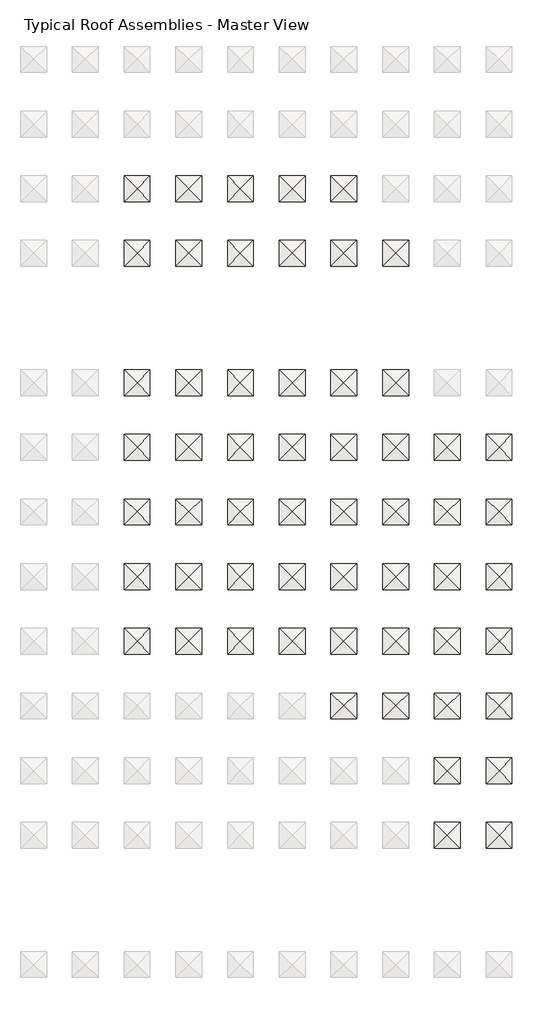
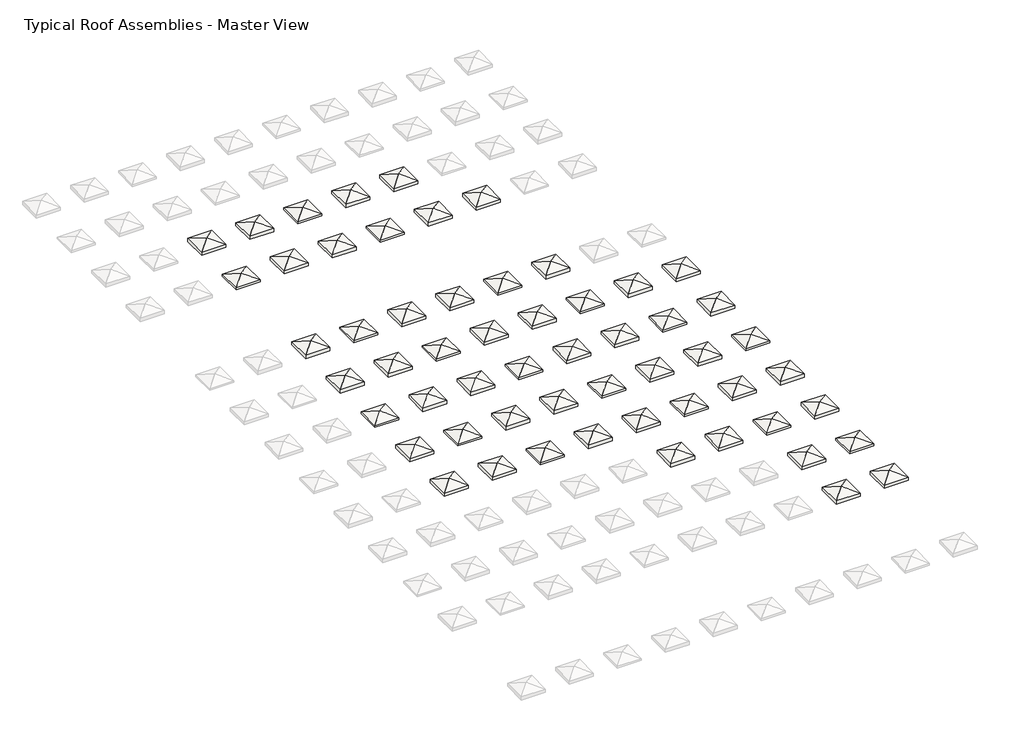
# One storey, part 5 of 6: 57 roofs.
"""IFC4 building model written with IfcOpenShell, lengths in millimetres."""

from ifc_helpers import new_model, si_unit, origin, place, context, project, spatial, faceted_brep, element, save

model = new_model("IFC4")

# Units and contexts
model_context = context("Model", 3, world=origin())
ifc_project = project(units=[si_unit("LENGTHUNIT", "METRE", prefix="MILLI")], contexts=[model_context])

# Site, building, storey
site = spatial("IfcSite", under=ifc_project)
building = spatial("IfcBuilding", under=site)
storey = spatial("IfcBuildingStorey", under=building, Name="Typical Roof Assemblies - Master View", Elevation=3048.0)

# Roofs
placement = place(None, origin())
element("IfcRoof", 1, at=placement, inside=storey, context=model_context, shape_type="Brep", body=[
    faceted_brep([(285.2728707, -38304.4766531, 3556.0), (1809.2728707, -36780.4766531, 3048.0), (1809.2728707, -39828.4766531, 3048.0), (-1238.7271293, -36780.4766531, 3048.0), (-1238.7271293, -39828.4766531, 3048.0), (1809.2728707, -36780.4766531, 3478.1235205), (285.2728707, -38304.4766531, 3986.1235205), (1809.2728707, -39828.4766531, 3478.1235205), (-1238.7271293, -36780.4766531, 3478.1235205), (-1238.7271293, -39828.4766531, 3478.1235205)], [[[0, 1, 2]], [[3, 0, 4]], [[1, 0, 3]], [[4, 0, 2]], [[5, 6, 7]], [[8, 9, 6]], [[5, 8, 6]], [[9, 7, 6]], [[3, 8, 5, 1]], [[4, 9, 8, 3]], [[2, 7, 9, 4]], [[1, 5, 7, 2]]]),
])
element("IfcRoof", 2, at=placement, inside=storey, context=model_context, shape_type="Brep", body=[
    faceted_brep([(6381.2728707, -38304.4766531, 3556.0), (7905.2728707, -36780.4766531, 3048.0), (7905.2728707, -39828.4766531, 3048.0), (4857.2728707, -36780.4766531, 3048.0), (4857.2728707, -39828.4766531, 3048.0), (7905.2728707, -36780.4766531, 3474.7767703), (6381.2728707, -38304.4766531, 3982.7767703), (7905.2728707, -39828.4766531, 3474.7767703), (4857.2728707, -36780.4766531, 3474.7767703), (4857.2728707, -39828.4766531, 3474.7767703)], [[[0, 1, 2]], [[3, 0, 4]], [[1, 0, 3]], [[4, 0, 2]], [[5, 6, 7]], [[8, 9, 6]], [[5, 8, 6]], [[9, 7, 6]], [[3, 8, 5, 1]], [[4, 9, 8, 3]], [[2, 7, 9, 4]], [[1, 5, 7, 2]]]),
])
element("IfcRoof", 3, at=placement, inside=storey, context=model_context, shape_type="Brep", body=[
    faceted_brep([(12477.2728707, -38304.4766531, 3556.0), (14001.2728707, -36780.4766531, 3048.0), (14001.2728707, -39828.4766531, 3048.0), (10953.2728707, -36780.4766531, 3048.0), (10953.2728707, -39828.4766531, 3048.0), (14001.2728707, -36780.4766531, 3304.0928432), (12477.2728707, -38304.4766531, 3812.0928432), (14001.2728707, -39828.4766531, 3304.0928432), (10953.2728707, -36780.4766531, 3304.0928432), (10953.2728707, -39828.4766531, 3304.0928432)], [[[0, 1, 2]], [[3, 0, 4]], [[1, 0, 3]], [[4, 0, 2]], [[5, 6, 7]], [[8, 9, 6]], [[5, 8, 6]], [[9, 7, 6]], [[3, 8, 5, 1]], [[4, 9, 8, 3]], [[2, 7, 9, 4]], [[1, 5, 7, 2]]]),
])
element("IfcRoof", 4, at=placement, inside=storey, context=model_context, shape_type="Brep", body=[
    faceted_brep([(18573.2728707, -38304.4766531, 3556.0), (20097.2728707, -36780.4766531, 3048.0), (20097.2728707, -39828.4766531, 3048.0), (17049.2728707, -36780.4766531, 3048.0), (17049.2728707, -39828.4766531, 3048.0), (20097.2728707, -36780.4766531, 3479.7299585), (18573.2728707, -38304.4766531, 3987.7299585), (20097.2728707, -39828.4766531, 3479.7299585), (17049.2728707, -36780.4766531, 3479.7299585), (17049.2728707, -39828.4766531, 3479.7299585)], [[[0, 1, 2]], [[3, 0, 4]], [[1, 0, 3]], [[4, 0, 2]], [[5, 6, 7]], [[8, 9, 6]], [[5, 8, 6]], [[9, 7, 6]], [[3, 8, 5, 1]], [[4, 9, 8, 3]], [[2, 7, 9, 4]], [[1, 5, 7, 2]]]),
])
element("IfcRoof", 5, at=placement, inside=storey, context=model_context, shape_type="Brep", body=[
    faceted_brep([(24669.2728707, -38304.4766531, 3556.0), (26193.2728707, -36780.4766531, 3048.0), (26193.2728707, -39828.4766531, 3048.0), (23145.2728707, -36780.4766531, 3048.0), (23145.2728707, -39828.4766531, 3048.0), (26193.2728707, -36780.4766531, 3476.3832082), (24669.2728707, -38304.4766531, 3984.3832082), (26193.2728707, -39828.4766531, 3476.3832082), (23145.2728707, -36780.4766531, 3476.3832082), (23145.2728707, -39828.4766531, 3476.3832082)], [[[0, 1, 2]], [[3, 0, 4]], [[1, 0, 3]], [[4, 0, 2]], [[5, 6, 7]], [[8, 9, 6]], [[5, 8, 6]], [[9, 7, 6]], [[3, 8, 5, 1]], [[4, 9, 8, 3]], [[2, 7, 9, 4]], [[1, 5, 7, 2]]]),
])
element("IfcRoof", 6, at=placement, inside=storey, context=model_context, shape_type="Brep", body=[
    faceted_brep([(285.2728707, -45924.4766531, 3556.0), (1809.2728707, -44400.4766531, 3048.0), (1809.2728707, -47448.4766531, 3048.0), (-1238.7271293, -44400.4766531, 3048.0), (-1238.7271293, -47448.4766531, 3048.0), (1809.2728707, -44400.4766531, 3304.0928432), (285.2728707, -45924.4766531, 3812.0928432), (1809.2728707, -47448.4766531, 3304.0928432), (-1238.7271293, -44400.4766531, 3304.0928432), (-1238.7271293, -47448.4766531, 3304.0928432)], [[[0, 1, 2]], [[3, 0, 4]], [[1, 0, 3]], [[4, 0, 2]], [[5, 6, 7]], [[8, 9, 6]], [[5, 8, 6]], [[9, 7, 6]], [[3, 8, 5, 1]], [[4, 9, 8, 3]], [[2, 7, 9, 4]], [[1, 5, 7, 2]]]),
])
element("IfcRoof", 7, at=placement, inside=storey, context=model_context, shape_type="Brep", body=[
    faceted_brep([(6381.2728707, -45924.4766531, 3556.0), (7905.2728707, -44400.4766531, 3048.0), (7905.2728707, -47448.4766531, 3048.0), (4857.2728707, -44400.4766531, 3048.0), (4857.2728707, -47448.4766531, 3048.0), (7905.2728707, -44400.4766531, 3478.1235205), (6381.2728707, -45924.4766531, 3986.1235205), (7905.2728707, -47448.4766531, 3478.1235205), (4857.2728707, -44400.4766531, 3478.1235205), (4857.2728707, -47448.4766531, 3478.1235205)], [[[0, 1, 2]], [[3, 0, 4]], [[1, 0, 3]], [[4, 0, 2]], [[5, 6, 7]], [[8, 9, 6]], [[5, 8, 6]], [[9, 7, 6]], [[3, 8, 5, 1]], [[4, 9, 8, 3]], [[2, 7, 9, 4]], [[1, 5, 7, 2]]]),
])
element("IfcRoof", 8, at=placement, inside=storey, context=model_context, shape_type="Brep", body=[
    faceted_brep([(12477.2728707, -45924.4766531, 3556.0), (14001.2728707, -44400.4766531, 3048.0), (14001.2728707, -47448.4766531, 3048.0), (10953.2728707, -44400.4766531, 3048.0), (10953.2728707, -47448.4766531, 3048.0), (14001.2728707, -44400.4766531, 3474.7767703), (12477.2728707, -45924.4766531, 3982.7767703), (14001.2728707, -47448.4766531, 3474.7767703), (10953.2728707, -44400.4766531, 3474.7767703), (10953.2728707, -47448.4766531, 3474.7767703)], [[[0, 1, 2]], [[3, 0, 4]], [[1, 0, 3]], [[4, 0, 2]], [[5, 6, 7]], [[8, 9, 6]], [[5, 8, 6]], [[9, 7, 6]], [[3, 8, 5, 1]], [[4, 9, 8, 3]], [[2, 7, 9, 4]], [[1, 5, 7, 2]]]),
])
element("IfcRoof", 9, at=placement, inside=storey, context=model_context, shape_type="Brep", body=[
    faceted_brep([(18573.2728707, -45924.4766531, 3556.0), (20097.2728707, -44400.4766531, 3048.0), (20097.2728707, -47448.4766531, 3048.0), (17049.2728707, -44400.4766531, 3048.0), (17049.2728707, -47448.4766531, 3048.0), (20097.2728707, -44400.4766531, 3304.0928432), (18573.2728707, -45924.4766531, 3812.0928432), (20097.2728707, -47448.4766531, 3304.0928432), (17049.2728707, -44400.4766531, 3304.0928432), (17049.2728707, -47448.4766531, 3304.0928432)], [[[0, 1, 2]], [[3, 0, 4]], [[1, 0, 3]], [[4, 0, 2]], [[5, 6, 7]], [[8, 9, 6]], [[5, 8, 6]], [[9, 7, 6]], [[3, 8, 5, 1]], [[4, 9, 8, 3]], [[2, 7, 9, 4]], [[1, 5, 7, 2]]]),
])
element("IfcRoof", 10, at=placement, inside=storey, context=model_context, shape_type="Brep", body=[
    faceted_brep([(24669.2728707, -45924.4766531, 3556.0), (26193.2728707, -44400.4766531, 3048.0), (26193.2728707, -47448.4766531, 3048.0), (23145.2728707, -44400.4766531, 3048.0), (23145.2728707, -47448.4766531, 3048.0), (26193.2728707, -44400.4766531, 3479.7299585), (24669.2728707, -45924.4766531, 3987.7299585), (26193.2728707, -47448.4766531, 3479.7299585), (23145.2728707, -44400.4766531, 3479.7299585), (23145.2728707, -47448.4766531, 3479.7299585)], [[[0, 1, 2]], [[3, 0, 4]], [[1, 0, 3]], [[4, 0, 2]], [[5, 6, 7]], [[8, 9, 6]], [[5, 8, 6]], [[9, 7, 6]], [[3, 8, 5, 1]], [[4, 9, 8, 3]], [[2, 7, 9, 4]], [[1, 5, 7, 2]]]),
])
element("IfcRoof", 11, at=placement, inside=storey, context=model_context, shape_type="Brep", body=[
    faceted_brep([(30765.2728707, -45924.4766531, 3556.0), (32289.2728707, -44400.4766531, 3048.0), (32289.2728707, -47448.4766531, 3048.0), (29241.2728707, -44400.4766531, 3048.0), (29241.2728707, -47448.4766531, 3048.0), (32289.2728707, -44400.4766531, 3476.3832082), (30765.2728707, -45924.4766531, 3984.3832082), (32289.2728707, -47448.4766531, 3476.3832082), (29241.2728707, -44400.4766531, 3476.3832082), (29241.2728707, -47448.4766531, 3476.3832082)], [[[0, 1, 2]], [[3, 0, 4]], [[1, 0, 3]], [[4, 0, 2]], [[5, 6, 7]], [[8, 9, 6]], [[5, 8, 6]], [[9, 7, 6]], [[3, 8, 5, 1]], [[4, 9, 8, 3]], [[2, 7, 9, 4]], [[1, 5, 7, 2]]]),
])
element("IfcRoof", 12, at=placement, inside=storey, context=model_context, shape_type="Brep", body=[
    faceted_brep([(285.2728707, -61164.4766531, 3556.0), (1809.2728707, -59640.4766531, 3048.0), (1809.2728707, -62688.4766531, 3048.0), (-1238.7271293, -59640.4766531, 3048.0), (-1238.7271293, -62688.4766531, 3048.0), (1809.2728707, -59640.4766531, 3476.3832082), (285.2728707, -61164.4766531, 3984.3832082), (1809.2728707, -62688.4766531, 3476.3832082), (-1238.7271293, -59640.4766531, 3476.3832082), (-1238.7271293, -62688.4766531, 3476.3832082)], [[[0, 1, 2]], [[3, 0, 4]], [[1, 0, 3]], [[4, 0, 2]], [[5, 6, 7]], [[8, 9, 6]], [[5, 8, 6]], [[9, 7, 6]], [[3, 8, 5, 1]], [[4, 9, 8, 3]], [[2, 7, 9, 4]], [[1, 5, 7, 2]]]),
])
element("IfcRoof", 13, at=placement, inside=storey, context=model_context, shape_type="Brep", body=[
    faceted_brep([(6381.2728707, -61164.4766531, 3556.0), (7905.2728707, -59640.4766531, 3048.0), (7905.2728707, -62688.4766531, 3048.0), (4857.2728707, -59640.4766531, 3048.0), (4857.2728707, -62688.4766531, 3048.0), (7905.2728707, -59640.4766531, 3304.0928432), (6381.2728707, -61164.4766531, 3812.0928432), (7905.2728707, -62688.4766531, 3304.0928432), (4857.2728707, -59640.4766531, 3304.0928432), (4857.2728707, -62688.4766531, 3304.0928432)], [[[0, 1, 2]], [[3, 0, 4]], [[1, 0, 3]], [[4, 0, 2]], [[5, 6, 7]], [[8, 9, 6]], [[5, 8, 6]], [[9, 7, 6]], [[3, 8, 5, 1]], [[4, 9, 8, 3]], [[2, 7, 9, 4]], [[1, 5, 7, 2]]]),
])
element("IfcRoof", 14, at=placement, inside=storey, context=model_context, shape_type="Brep", body=[
    faceted_brep([(12477.2728707, -61164.4766531, 3556.0), (14001.2728707, -59640.4766531, 3048.0), (14001.2728707, -62688.4766531, 3048.0), (10953.2728707, -59640.4766531, 3048.0), (10953.2728707, -62688.4766531, 3048.0), (14001.2728707, -59640.4766531, 3478.1235205), (12477.2728707, -61164.4766531, 3986.1235205), (14001.2728707, -62688.4766531, 3478.1235205), (10953.2728707, -59640.4766531, 3478.1235205), (10953.2728707, -62688.4766531, 3478.1235205)], [[[0, 1, 2]], [[3, 0, 4]], [[1, 0, 3]], [[4, 0, 2]], [[5, 6, 7]], [[8, 9, 6]], [[5, 8, 6]], [[9, 7, 6]], [[3, 8, 5, 1]], [[4, 9, 8, 3]], [[2, 7, 9, 4]], [[1, 5, 7, 2]]]),
])
element("IfcRoof", 15, at=placement, inside=storey, context=model_context, shape_type="Brep", body=[
    faceted_brep([(18573.2728707, -61164.4766531, 3556.0), (20097.2728707, -59640.4766531, 3048.0), (20097.2728707, -62688.4766531, 3048.0), (17049.2728707, -59640.4766531, 3048.0), (17049.2728707, -62688.4766531, 3048.0), (20097.2728707, -59640.4766531, 3474.7767703), (18573.2728707, -61164.4766531, 3982.7767703), (20097.2728707, -62688.4766531, 3474.7767703), (17049.2728707, -59640.4766531, 3474.7767703), (17049.2728707, -62688.4766531, 3474.7767703)], [[[0, 1, 2]], [[3, 0, 4]], [[1, 0, 3]], [[4, 0, 2]], [[5, 6, 7]], [[8, 9, 6]], [[5, 8, 6]], [[9, 7, 6]], [[3, 8, 5, 1]], [[4, 9, 8, 3]], [[2, 7, 9, 4]], [[1, 5, 7, 2]]]),
])
element("IfcRoof", 16, at=placement, inside=storey, context=model_context, shape_type="Brep", body=[
    faceted_brep([(24669.2728707, -61164.4766531, 3556.0), (26193.2728707, -59640.4766531, 3048.0), (26193.2728707, -62688.4766531, 3048.0), (23145.2728707, -59640.4766531, 3048.0), (23145.2728707, -62688.4766531, 3048.0), (26193.2728707, -59640.4766531, 3304.0928432), (24669.2728707, -61164.4766531, 3812.0928432), (26193.2728707, -62688.4766531, 3304.0928432), (23145.2728707, -59640.4766531, 3304.0928432), (23145.2728707, -62688.4766531, 3304.0928432)], [[[0, 1, 2]], [[3, 0, 4]], [[1, 0, 3]], [[4, 0, 2]], [[5, 6, 7]], [[8, 9, 6]], [[5, 8, 6]], [[9, 7, 6]], [[3, 8, 5, 1]], [[4, 9, 8, 3]], [[2, 7, 9, 4]], [[1, 5, 7, 2]]]),
])
element("IfcRoof", 17, at=placement, inside=storey, context=model_context, shape_type="Brep", body=[
    faceted_brep([(30765.2728707, -61164.4766531, 3556.0), (32289.2728707, -59640.4766531, 3048.0), (32289.2728707, -62688.4766531, 3048.0), (29241.2728707, -59640.4766531, 3048.0), (29241.2728707, -62688.4766531, 3048.0), (32289.2728707, -59640.4766531, 3479.7299585), (30765.2728707, -61164.4766531, 3987.7299585), (32289.2728707, -62688.4766531, 3479.7299585), (29241.2728707, -59640.4766531, 3479.7299585), (29241.2728707, -62688.4766531, 3479.7299585)], [[[0, 1, 2]], [[3, 0, 4]], [[1, 0, 3]], [[4, 0, 2]], [[5, 6, 7]], [[8, 9, 6]], [[5, 8, 6]], [[9, 7, 6]], [[3, 8, 5, 1]], [[4, 9, 8, 3]], [[2, 7, 9, 4]], [[1, 5, 7, 2]]]),
])
element("IfcRoof", 18, at=placement, inside=storey, context=model_context, shape_type="Brep", body=[
    faceted_brep([(285.2728707, -68784.4766531, 3556.0), (1809.2728707, -67260.4766531, 3048.0), (1809.2728707, -70308.4766531, 3048.0), (-1238.7271293, -67260.4766531, 3048.0), (-1238.7271293, -70308.4766531, 3048.0), (1809.2728707, -67260.4766531, 3479.7299585), (285.2728707, -68784.4766531, 3987.7299585), (1809.2728707, -70308.4766531, 3479.7299585), (-1238.7271293, -67260.4766531, 3479.7299585), (-1238.7271293, -70308.4766531, 3479.7299585)], [[[0, 1, 2]], [[3, 0, 4]], [[1, 0, 3]], [[4, 0, 2]], [[5, 6, 7]], [[8, 9, 6]], [[5, 8, 6]], [[9, 7, 6]], [[3, 8, 5, 1]], [[4, 9, 8, 3]], [[2, 7, 9, 4]], [[1, 5, 7, 2]]]),
])
element("IfcRoof", 19, at=placement, inside=storey, context=model_context, shape_type="Brep", body=[
    faceted_brep([(6381.2728707, -68784.4766531, 3556.0), (7905.2728707, -67260.4766531, 3048.0), (7905.2728707, -70308.4766531, 3048.0), (4857.2728707, -67260.4766531, 3048.0), (4857.2728707, -70308.4766531, 3048.0), (7905.2728707, -67260.4766531, 3476.3832082), (6381.2728707, -68784.4766531, 3984.3832082), (7905.2728707, -70308.4766531, 3476.3832082), (4857.2728707, -67260.4766531, 3476.3832082), (4857.2728707, -70308.4766531, 3476.3832082)], [[[0, 1, 2]], [[3, 0, 4]], [[1, 0, 3]], [[4, 0, 2]], [[5, 6, 7]], [[8, 9, 6]], [[5, 8, 6]], [[9, 7, 6]], [[3, 8, 5, 1]], [[4, 9, 8, 3]], [[2, 7, 9, 4]], [[1, 5, 7, 2]]]),
])
element("IfcRoof", 20, at=placement, inside=storey, context=model_context, shape_type="Brep", body=[
    faceted_brep([(12477.2728707, -68784.4766531, 3556.0), (14001.2728707, -67260.4766531, 3048.0), (14001.2728707, -70308.4766531, 3048.0), (10953.2728707, -67260.4766531, 3048.0), (10953.2728707, -70308.4766531, 3048.0), (14001.2728707, -67260.4766531, 3304.0928432), (12477.2728707, -68784.4766531, 3812.0928432), (14001.2728707, -70308.4766531, 3304.0928432), (10953.2728707, -67260.4766531, 3304.0928432), (10953.2728707, -70308.4766531, 3304.0928432)], [[[0, 1, 2]], [[3, 0, 4]], [[1, 0, 3]], [[4, 0, 2]], [[5, 6, 7]], [[8, 9, 6]], [[5, 8, 6]], [[9, 7, 6]], [[3, 8, 5, 1]], [[4, 9, 8, 3]], [[2, 7, 9, 4]], [[1, 5, 7, 2]]]),
])
element("IfcRoof", 21, at=placement, inside=storey, context=model_context, shape_type="Brep", body=[
    faceted_brep([(18573.2728707, -68784.4766531, 3556.0), (20097.2728707, -67260.4766531, 3048.0), (20097.2728707, -70308.4766531, 3048.0), (17049.2728707, -67260.4766531, 3048.0), (17049.2728707, -70308.4766531, 3048.0), (20097.2728707, -67260.4766531, 3478.1235205), (18573.2728707, -68784.4766531, 3986.1235205), (20097.2728707, -70308.4766531, 3478.1235205), (17049.2728707, -67260.4766531, 3478.1235205), (17049.2728707, -70308.4766531, 3478.1235205)], [[[0, 1, 2]], [[3, 0, 4]], [[1, 0, 3]], [[4, 0, 2]], [[5, 6, 7]], [[8, 9, 6]], [[5, 8, 6]], [[9, 7, 6]], [[3, 8, 5, 1]], [[4, 9, 8, 3]], [[2, 7, 9, 4]], [[1, 5, 7, 2]]]),
])
element("IfcRoof", 22, at=placement, inside=storey, context=model_context, shape_type="Brep", body=[
    faceted_brep([(24669.2728707, -68784.4766531, 3556.0), (26193.2728707, -67260.4766531, 3048.0), (26193.2728707, -70308.4766531, 3048.0), (23145.2728707, -67260.4766531, 3048.0), (23145.2728707, -70308.4766531, 3048.0), (26193.2728707, -67260.4766531, 3474.7767703), (24669.2728707, -68784.4766531, 3982.7767703), (26193.2728707, -70308.4766531, 3474.7767703), (23145.2728707, -67260.4766531, 3474.7767703), (23145.2728707, -70308.4766531, 3474.7767703)], [[[0, 1, 2]], [[3, 0, 4]], [[1, 0, 3]], [[4, 0, 2]], [[5, 6, 7]], [[8, 9, 6]], [[5, 8, 6]], [[9, 7, 6]], [[3, 8, 5, 1]], [[4, 9, 8, 3]], [[2, 7, 9, 4]], [[1, 5, 7, 2]]]),
])
element("IfcRoof", 23, at=placement, inside=storey, context=model_context, shape_type="Brep", body=[
    faceted_brep([(30765.2728707, -68784.4766531, 3556.0), (32289.2728707, -67260.4766531, 3048.0), (32289.2728707, -70308.4766531, 3048.0), (29241.2728707, -67260.4766531, 3048.0), (29241.2728707, -70308.4766531, 3048.0), (32289.2728707, -67260.4766531, 3304.0928432), (30765.2728707, -68784.4766531, 3812.0928432), (32289.2728707, -70308.4766531, 3304.0928432), (29241.2728707, -67260.4766531, 3304.0928432), (29241.2728707, -70308.4766531, 3304.0928432)], [[[0, 1, 2]], [[3, 0, 4]], [[1, 0, 3]], [[4, 0, 2]], [[5, 6, 7]], [[8, 9, 6]], [[5, 8, 6]], [[9, 7, 6]], [[3, 8, 5, 1]], [[4, 9, 8, 3]], [[2, 7, 9, 4]], [[1, 5, 7, 2]]]),
])
element("IfcRoof", 24, at=placement, inside=storey, context=model_context, shape_type="Brep", body=[
    faceted_brep([(36861.2728707, -68784.4766531, 3556.0), (38385.2728707, -67260.4766531, 3048.0), (38385.2728707, -70308.4766531, 3048.0), (35337.2728707, -67260.4766531, 3048.0), (35337.2728707, -70308.4766531, 3048.0), (38385.2728707, -67260.4766531, 3479.7299585), (36861.2728707, -68784.4766531, 3987.7299585), (38385.2728707, -70308.4766531, 3479.7299585), (35337.2728707, -67260.4766531, 3479.7299585), (35337.2728707, -70308.4766531, 3479.7299585)], [[[0, 1, 2]], [[3, 0, 4]], [[1, 0, 3]], [[4, 0, 2]], [[5, 6, 7]], [[8, 9, 6]], [[5, 8, 6]], [[9, 7, 6]], [[3, 8, 5, 1]], [[4, 9, 8, 3]], [[2, 7, 9, 4]], [[1, 5, 7, 2]]]),
])
element("IfcRoof", 25, at=placement, inside=storey, context=model_context, shape_type="Brep", body=[
    faceted_brep([(42957.2728707, -68784.4766531, 3556.0), (44481.2728707, -67260.4766531, 3048.0), (44481.2728707, -70308.4766531, 3048.0), (41433.2728707, -67260.4766531, 3048.0), (41433.2728707, -70308.4766531, 3048.0), (44481.2728707, -67260.4766531, 3476.3832082), (42957.2728707, -68784.4766531, 3984.3832082), (44481.2728707, -70308.4766531, 3476.3832082), (41433.2728707, -67260.4766531, 3476.3832082), (41433.2728707, -70308.4766531, 3476.3832082)], [[[0, 1, 2]], [[3, 0, 4]], [[1, 0, 3]], [[4, 0, 2]], [[5, 6, 7]], [[8, 9, 6]], [[5, 8, 6]], [[9, 7, 6]], [[3, 8, 5, 1]], [[4, 9, 8, 3]], [[2, 7, 9, 4]], [[1, 5, 7, 2]]]),
])
element("IfcRoof", 26, at=placement, inside=storey, context=model_context, shape_type="Brep", body=[
    faceted_brep([(285.2728707, -76404.4766531, 3556.0), (1809.2728707, -74880.4766531, 3048.0), (1809.2728707, -77928.4766531, 3048.0), (-1238.7271293, -74880.4766531, 3048.0), (-1238.7271293, -77928.4766531, 3048.0), (1809.2728707, -74880.4766531, 3304.0928432), (285.2728707, -76404.4766531, 3812.0928432), (1809.2728707, -77928.4766531, 3304.0928432), (-1238.7271293, -74880.4766531, 3304.0928432), (-1238.7271293, -77928.4766531, 3304.0928432)], [[[0, 1, 2]], [[3, 0, 4]], [[1, 0, 3]], [[4, 0, 2]], [[5, 6, 7]], [[8, 9, 6]], [[5, 8, 6]], [[9, 7, 6]], [[3, 8, 5, 1]], [[4, 9, 8, 3]], [[2, 7, 9, 4]], [[1, 5, 7, 2]]]),
])
element("IfcRoof", 27, at=placement, inside=storey, context=model_context, shape_type="Brep", body=[
    faceted_brep([(6381.2728707, -76404.4766531, 3556.0), (7905.2728707, -74880.4766531, 3048.0), (7905.2728707, -77928.4766531, 3048.0), (4857.2728707, -74880.4766531, 3048.0), (4857.2728707, -77928.4766531, 3048.0), (7905.2728707, -74880.4766531, 3479.7299585), (6381.2728707, -76404.4766531, 3987.7299585), (7905.2728707, -77928.4766531, 3479.7299585), (4857.2728707, -74880.4766531, 3479.7299585), (4857.2728707, -77928.4766531, 3479.7299585)], [[[0, 1, 2]], [[3, 0, 4]], [[1, 0, 3]], [[4, 0, 2]], [[5, 6, 7]], [[8, 9, 6]], [[5, 8, 6]], [[9, 7, 6]], [[3, 8, 5, 1]], [[4, 9, 8, 3]], [[2, 7, 9, 4]], [[1, 5, 7, 2]]]),
])
element("IfcRoof", 28, at=placement, inside=storey, context=model_context, shape_type="Brep", body=[
    faceted_brep([(12477.2728707, -76404.4766531, 3556.0), (14001.2728707, -74880.4766531, 3048.0), (14001.2728707, -77928.4766531, 3048.0), (10953.2728707, -74880.4766531, 3048.0), (10953.2728707, -77928.4766531, 3048.0), (14001.2728707, -74880.4766531, 3476.3832082), (12477.2728707, -76404.4766531, 3984.3832082), (14001.2728707, -77928.4766531, 3476.3832082), (10953.2728707, -74880.4766531, 3476.3832082), (10953.2728707, -77928.4766531, 3476.3832082)], [[[0, 1, 2]], [[3, 0, 4]], [[1, 0, 3]], [[4, 0, 2]], [[5, 6, 7]], [[8, 9, 6]], [[5, 8, 6]], [[9, 7, 6]], [[3, 8, 5, 1]], [[4, 9, 8, 3]], [[2, 7, 9, 4]], [[1, 5, 7, 2]]]),
])
element("IfcRoof", 29, at=placement, inside=storey, context=model_context, shape_type="Brep", body=[
    faceted_brep([(18573.2728707, -76404.4766531, 3556.0), (20097.2728707, -74880.4766531, 3048.0), (20097.2728707, -77928.4766531, 3048.0), (17049.2728707, -74880.4766531, 3048.0), (17049.2728707, -77928.4766531, 3048.0), (20097.2728707, -74880.4766531, 3304.0928432), (18573.2728707, -76404.4766531, 3812.0928432), (20097.2728707, -77928.4766531, 3304.0928432), (17049.2728707, -74880.4766531, 3304.0928432), (17049.2728707, -77928.4766531, 3304.0928432)], [[[0, 1, 2]], [[3, 0, 4]], [[1, 0, 3]], [[4, 0, 2]], [[5, 6, 7]], [[8, 9, 6]], [[5, 8, 6]], [[9, 7, 6]], [[3, 8, 5, 1]], [[4, 9, 8, 3]], [[2, 7, 9, 4]], [[1, 5, 7, 2]]]),
])
element("IfcRoof", 30, at=placement, inside=storey, context=model_context, shape_type="Brep", body=[
    faceted_brep([(24669.2728707, -76404.4766531, 3556.0), (26193.2728707, -74880.4766531, 3048.0), (26193.2728707, -77928.4766531, 3048.0), (23145.2728707, -74880.4766531, 3048.0), (23145.2728707, -77928.4766531, 3048.0), (26193.2728707, -74880.4766531, 3478.1235205), (24669.2728707, -76404.4766531, 3986.1235205), (26193.2728707, -77928.4766531, 3478.1235205), (23145.2728707, -74880.4766531, 3478.1235205), (23145.2728707, -77928.4766531, 3478.1235205)], [[[0, 1, 2]], [[3, 0, 4]], [[1, 0, 3]], [[4, 0, 2]], [[5, 6, 7]], [[8, 9, 6]], [[5, 8, 6]], [[9, 7, 6]], [[3, 8, 5, 1]], [[4, 9, 8, 3]], [[2, 7, 9, 4]], [[1, 5, 7, 2]]]),
])
element("IfcRoof", 31, at=placement, inside=storey, context=model_context, shape_type="Brep", body=[
    faceted_brep([(30765.2728707, -76404.4766531, 3556.0), (32289.2728707, -74880.4766531, 3048.0), (32289.2728707, -77928.4766531, 3048.0), (29241.2728707, -74880.4766531, 3048.0), (29241.2728707, -77928.4766531, 3048.0), (32289.2728707, -74880.4766531, 3474.7767703), (30765.2728707, -76404.4766531, 3982.7767703), (32289.2728707, -77928.4766531, 3474.7767703), (29241.2728707, -74880.4766531, 3474.7767703), (29241.2728707, -77928.4766531, 3474.7767703)], [[[0, 1, 2]], [[3, 0, 4]], [[1, 0, 3]], [[4, 0, 2]], [[5, 6, 7]], [[8, 9, 6]], [[5, 8, 6]], [[9, 7, 6]], [[3, 8, 5, 1]], [[4, 9, 8, 3]], [[2, 7, 9, 4]], [[1, 5, 7, 2]]]),
])
element("IfcRoof", 32, at=placement, inside=storey, context=model_context, shape_type="Brep", body=[
    faceted_brep([(36861.2728707, -76404.4766531, 3556.0), (38385.2728707, -74880.4766531, 3048.0), (38385.2728707, -77928.4766531, 3048.0), (35337.2728707, -74880.4766531, 3048.0), (35337.2728707, -77928.4766531, 3048.0), (38385.2728707, -74880.4766531, 3304.0928432), (36861.2728707, -76404.4766531, 3812.0928432), (38385.2728707, -77928.4766531, 3304.0928432), (35337.2728707, -74880.4766531, 3304.0928432), (35337.2728707, -77928.4766531, 3304.0928432)], [[[0, 1, 2]], [[3, 0, 4]], [[1, 0, 3]], [[4, 0, 2]], [[5, 6, 7]], [[8, 9, 6]], [[5, 8, 6]], [[9, 7, 6]], [[3, 8, 5, 1]], [[4, 9, 8, 3]], [[2, 7, 9, 4]], [[1, 5, 7, 2]]]),
])
element("IfcRoof", 33, at=placement, inside=storey, context=model_context, shape_type="Brep", body=[
    faceted_brep([(42957.2728707, -76404.4766531, 3556.0), (44481.2728707, -74880.4766531, 3048.0), (44481.2728707, -77928.4766531, 3048.0), (41433.2728707, -74880.4766531, 3048.0), (41433.2728707, -77928.4766531, 3048.0), (44481.2728707, -74880.4766531, 3479.7299585), (42957.2728707, -76404.4766531, 3987.7299585), (44481.2728707, -77928.4766531, 3479.7299585), (41433.2728707, -74880.4766531, 3479.7299585), (41433.2728707, -77928.4766531, 3479.7299585)], [[[0, 1, 2]], [[3, 0, 4]], [[1, 0, 3]], [[4, 0, 2]], [[5, 6, 7]], [[8, 9, 6]], [[5, 8, 6]], [[9, 7, 6]], [[3, 8, 5, 1]], [[4, 9, 8, 3]], [[2, 7, 9, 4]], [[1, 5, 7, 2]]]),
])
element("IfcRoof", 34, at=placement, inside=storey, context=model_context, shape_type="Brep", body=[
    faceted_brep([(285.2728707, -84024.4766531, 3556.0), (1809.2728707, -82500.4766531, 3048.0), (1809.2728707, -85548.4766531, 3048.0), (-1238.7271293, -82500.4766531, 3048.0), (-1238.7271293, -85548.4766531, 3048.0), (1809.2728707, -82500.4766531, 3474.7767703), (285.2728707, -84024.4766531, 3982.7767703), (1809.2728707, -85548.4766531, 3474.7767703), (-1238.7271293, -82500.4766531, 3474.7767703), (-1238.7271293, -85548.4766531, 3474.7767703)], [[[0, 1, 2]], [[3, 0, 4]], [[1, 0, 3]], [[4, 0, 2]], [[5, 6, 7]], [[8, 9, 6]], [[5, 8, 6]], [[9, 7, 6]], [[3, 8, 5, 1]], [[4, 9, 8, 3]], [[2, 7, 9, 4]], [[1, 5, 7, 2]]]),
])
element("IfcRoof", 35, at=placement, inside=storey, context=model_context, shape_type="Brep", body=[
    faceted_brep([(6381.2728707, -84024.4766531, 3556.0), (7905.2728707, -82500.4766531, 3048.0), (7905.2728707, -85548.4766531, 3048.0), (4857.2728707, -82500.4766531, 3048.0), (4857.2728707, -85548.4766531, 3048.0), (7905.2728707, -82500.4766531, 3304.0928432), (6381.2728707, -84024.4766531, 3812.0928432), (7905.2728707, -85548.4766531, 3304.0928432), (4857.2728707, -82500.4766531, 3304.0928432), (4857.2728707, -85548.4766531, 3304.0928432)], [[[0, 1, 2]], [[3, 0, 4]], [[1, 0, 3]], [[4, 0, 2]], [[5, 6, 7]], [[8, 9, 6]], [[5, 8, 6]], [[9, 7, 6]], [[3, 8, 5, 1]], [[4, 9, 8, 3]], [[2, 7, 9, 4]], [[1, 5, 7, 2]]]),
])
element("IfcRoof", 36, at=placement, inside=storey, context=model_context, shape_type="Brep", body=[
    faceted_brep([(12477.2728707, -84024.4766531, 3556.0), (14001.2728707, -82500.4766531, 3048.0), (14001.2728707, -85548.4766531, 3048.0), (10953.2728707, -82500.4766531, 3048.0), (10953.2728707, -85548.4766531, 3048.0), (14001.2728707, -82500.4766531, 3479.7299585), (12477.2728707, -84024.4766531, 3987.7299585), (14001.2728707, -85548.4766531, 3479.7299585), (10953.2728707, -82500.4766531, 3479.7299585), (10953.2728707, -85548.4766531, 3479.7299585)], [[[0, 1, 2]], [[3, 0, 4]], [[1, 0, 3]], [[4, 0, 2]], [[5, 6, 7]], [[8, 9, 6]], [[5, 8, 6]], [[9, 7, 6]], [[3, 8, 5, 1]], [[4, 9, 8, 3]], [[2, 7, 9, 4]], [[1, 5, 7, 2]]]),
])
element("IfcRoof", 37, at=placement, inside=storey, context=model_context, shape_type="Brep", body=[
    faceted_brep([(18573.2728707, -84024.4766531, 3556.0), (20097.2728707, -82500.4766531, 3048.0), (20097.2728707, -85548.4766531, 3048.0), (17049.2728707, -82500.4766531, 3048.0), (17049.2728707, -85548.4766531, 3048.0), (20097.2728707, -82500.4766531, 3476.3832082), (18573.2728707, -84024.4766531, 3984.3832082), (20097.2728707, -85548.4766531, 3476.3832082), (17049.2728707, -82500.4766531, 3476.3832082), (17049.2728707, -85548.4766531, 3476.3832082)], [[[0, 1, 2]], [[3, 0, 4]], [[1, 0, 3]], [[4, 0, 2]], [[5, 6, 7]], [[8, 9, 6]], [[5, 8, 6]], [[9, 7, 6]], [[3, 8, 5, 1]], [[4, 9, 8, 3]], [[2, 7, 9, 4]], [[1, 5, 7, 2]]]),
])
element("IfcRoof", 38, at=placement, inside=storey, context=model_context, shape_type="Brep", body=[
    faceted_brep([(24669.2728707, -84024.4766531, 3556.0), (26193.2728707, -82500.4766531, 3048.0), (26193.2728707, -85548.4766531, 3048.0), (23145.2728707, -82500.4766531, 3048.0), (23145.2728707, -85548.4766531, 3048.0), (26193.2728707, -82500.4766531, 3304.0928432), (24669.2728707, -84024.4766531, 3812.0928432), (26193.2728707, -85548.4766531, 3304.0928432), (23145.2728707, -82500.4766531, 3304.0928432), (23145.2728707, -85548.4766531, 3304.0928432)], [[[0, 1, 2]], [[3, 0, 4]], [[1, 0, 3]], [[4, 0, 2]], [[5, 6, 7]], [[8, 9, 6]], [[5, 8, 6]], [[9, 7, 6]], [[3, 8, 5, 1]], [[4, 9, 8, 3]], [[2, 7, 9, 4]], [[1, 5, 7, 2]]]),
])
element("IfcRoof", 39, at=placement, inside=storey, context=model_context, shape_type="Brep", body=[
    faceted_brep([(30765.2728707, -84024.4766531, 3556.0), (32289.2728707, -82500.4766531, 3048.0), (32289.2728707, -85548.4766531, 3048.0), (29241.2728707, -82500.4766531, 3048.0), (29241.2728707, -85548.4766531, 3048.0), (32289.2728707, -82500.4766531, 3478.1235205), (30765.2728707, -84024.4766531, 3986.1235205), (32289.2728707, -85548.4766531, 3478.1235205), (29241.2728707, -82500.4766531, 3478.1235205), (29241.2728707, -85548.4766531, 3478.1235205)], [[[0, 1, 2]], [[3, 0, 4]], [[1, 0, 3]], [[4, 0, 2]], [[5, 6, 7]], [[8, 9, 6]], [[5, 8, 6]], [[9, 7, 6]], [[3, 8, 5, 1]], [[4, 9, 8, 3]], [[2, 7, 9, 4]], [[1, 5, 7, 2]]]),
])
element("IfcRoof", 40, at=placement, inside=storey, context=model_context, shape_type="Brep", body=[
    faceted_brep([(36861.2728707, -84024.4766531, 3556.0), (38385.2728707, -82500.4766531, 3048.0), (38385.2728707, -85548.4766531, 3048.0), (35337.2728707, -82500.4766531, 3048.0), (35337.2728707, -85548.4766531, 3048.0), (38385.2728707, -82500.4766531, 3474.7767703), (36861.2728707, -84024.4766531, 3982.7767703), (38385.2728707, -85548.4766531, 3474.7767703), (35337.2728707, -82500.4766531, 3474.7767703), (35337.2728707, -85548.4766531, 3474.7767703)], [[[0, 1, 2]], [[3, 0, 4]], [[1, 0, 3]], [[4, 0, 2]], [[5, 6, 7]], [[8, 9, 6]], [[5, 8, 6]], [[9, 7, 6]], [[3, 8, 5, 1]], [[4, 9, 8, 3]], [[2, 7, 9, 4]], [[1, 5, 7, 2]]]),
])
element("IfcRoof", 41, at=placement, inside=storey, context=model_context, shape_type="Brep", body=[
    faceted_brep([(42957.2728707, -84024.4766531, 3556.0), (44481.2728707, -82500.4766531, 3048.0), (44481.2728707, -85548.4766531, 3048.0), (41433.2728707, -82500.4766531, 3048.0), (41433.2728707, -85548.4766531, 3048.0), (44481.2728707, -82500.4766531, 3304.0928432), (42957.2728707, -84024.4766531, 3812.0928432), (44481.2728707, -85548.4766531, 3304.0928432), (41433.2728707, -82500.4766531, 3304.0928432), (41433.2728707, -85548.4766531, 3304.0928432)], [[[0, 1, 2]], [[3, 0, 4]], [[1, 0, 3]], [[4, 0, 2]], [[5, 6, 7]], [[8, 9, 6]], [[5, 8, 6]], [[9, 7, 6]], [[3, 8, 5, 1]], [[4, 9, 8, 3]], [[2, 7, 9, 4]], [[1, 5, 7, 2]]]),
])
element("IfcRoof", 42, at=placement, inside=storey, context=model_context, shape_type="Brep", body=[
    faceted_brep([(285.2728707, -91644.4766531, 3556.0), (1809.2728707, -90120.4766531, 3048.0), (1809.2728707, -93168.4766531, 3048.0), (-1238.7271293, -90120.4766531, 3048.0), (-1238.7271293, -93168.4766531, 3048.0), (1809.2728707, -90120.4766531, 3478.1235205), (285.2728707, -91644.4766531, 3986.1235205), (1809.2728707, -93168.4766531, 3478.1235205), (-1238.7271293, -90120.4766531, 3478.1235205), (-1238.7271293, -93168.4766531, 3478.1235205)], [[[0, 1, 2]], [[3, 0, 4]], [[1, 0, 3]], [[4, 0, 2]], [[5, 6, 7]], [[8, 9, 6]], [[5, 8, 6]], [[9, 7, 6]], [[3, 8, 5, 1]], [[4, 9, 8, 3]], [[2, 7, 9, 4]], [[1, 5, 7, 2]]]),
])
element("IfcRoof", 43, at=placement, inside=storey, context=model_context, shape_type="Brep", body=[
    faceted_brep([(6381.2728707, -91644.4766531, 3556.0), (7905.2728707, -90120.4766531, 3048.0), (7905.2728707, -93168.4766531, 3048.0), (4857.2728707, -90120.4766531, 3048.0), (4857.2728707, -93168.4766531, 3048.0), (7905.2728707, -90120.4766531, 3474.7767703), (6381.2728707, -91644.4766531, 3982.7767703), (7905.2728707, -93168.4766531, 3474.7767703), (4857.2728707, -90120.4766531, 3474.7767703), (4857.2728707, -93168.4766531, 3474.7767703)], [[[0, 1, 2]], [[3, 0, 4]], [[1, 0, 3]], [[4, 0, 2]], [[5, 6, 7]], [[8, 9, 6]], [[5, 8, 6]], [[9, 7, 6]], [[3, 8, 5, 1]], [[4, 9, 8, 3]], [[2, 7, 9, 4]], [[1, 5, 7, 2]]]),
])
element("IfcRoof", 44, at=placement, inside=storey, context=model_context, shape_type="Brep", body=[
    faceted_brep([(12477.2728707, -91644.4766531, 3556.0), (14001.2728707, -90120.4766531, 3048.0), (14001.2728707, -93168.4766531, 3048.0), (10953.2728707, -90120.4766531, 3048.0), (10953.2728707, -93168.4766531, 3048.0), (14001.2728707, -90120.4766531, 3304.0928432), (12477.2728707, -91644.4766531, 3812.0928432), (14001.2728707, -93168.4766531, 3304.0928432), (10953.2728707, -90120.4766531, 3304.0928432), (10953.2728707, -93168.4766531, 3304.0928432)], [[[0, 1, 2]], [[3, 0, 4]], [[1, 0, 3]], [[4, 0, 2]], [[5, 6, 7]], [[8, 9, 6]], [[5, 8, 6]], [[9, 7, 6]], [[3, 8, 5, 1]], [[4, 9, 8, 3]], [[2, 7, 9, 4]], [[1, 5, 7, 2]]]),
])
element("IfcRoof", 45, at=placement, inside=storey, context=model_context, shape_type="Brep", body=[
    faceted_brep([(18573.2728707, -91644.4766531, 3556.0), (20097.2728707, -90120.4766531, 3048.0), (20097.2728707, -93168.4766531, 3048.0), (17049.2728707, -90120.4766531, 3048.0), (17049.2728707, -93168.4766531, 3048.0), (20097.2728707, -90120.4766531, 3479.7299585), (18573.2728707, -91644.4766531, 3987.7299585), (20097.2728707, -93168.4766531, 3479.7299585), (17049.2728707, -90120.4766531, 3479.7299585), (17049.2728707, -93168.4766531, 3479.7299585)], [[[0, 1, 2]], [[3, 0, 4]], [[1, 0, 3]], [[4, 0, 2]], [[5, 6, 7]], [[8, 9, 6]], [[5, 8, 6]], [[9, 7, 6]], [[3, 8, 5, 1]], [[4, 9, 8, 3]], [[2, 7, 9, 4]], [[1, 5, 7, 2]]]),
])
element("IfcRoof", 46, at=placement, inside=storey, context=model_context, shape_type="Brep", body=[
    faceted_brep([(24669.2728707, -91644.4766531, 3556.0), (26193.2728707, -90120.4766531, 3048.0), (26193.2728707, -93168.4766531, 3048.0), (23145.2728707, -90120.4766531, 3048.0), (23145.2728707, -93168.4766531, 3048.0), (26193.2728707, -90120.4766531, 3476.3832082), (24669.2728707, -91644.4766531, 3984.3832082), (26193.2728707, -93168.4766531, 3476.3832082), (23145.2728707, -90120.4766531, 3476.3832082), (23145.2728707, -93168.4766531, 3476.3832082)], [[[0, 1, 2]], [[3, 0, 4]], [[1, 0, 3]], [[4, 0, 2]], [[5, 6, 7]], [[8, 9, 6]], [[5, 8, 6]], [[9, 7, 6]], [[3, 8, 5, 1]], [[4, 9, 8, 3]], [[2, 7, 9, 4]], [[1, 5, 7, 2]]]),
])
element("IfcRoof", 47, at=placement, inside=storey, context=model_context, shape_type="Brep", body=[
    faceted_brep([(30765.2728707, -91644.4766531, 3556.0), (32289.2728707, -90120.4766531, 3048.0), (32289.2728707, -93168.4766531, 3048.0), (29241.2728707, -90120.4766531, 3048.0), (29241.2728707, -93168.4766531, 3048.0), (32289.2728707, -90120.4766531, 3304.0928432), (30765.2728707, -91644.4766531, 3812.0928432), (32289.2728707, -93168.4766531, 3304.0928432), (29241.2728707, -90120.4766531, 3304.0928432), (29241.2728707, -93168.4766531, 3304.0928432)], [[[0, 1, 2]], [[3, 0, 4]], [[1, 0, 3]], [[4, 0, 2]], [[5, 6, 7]], [[8, 9, 6]], [[5, 8, 6]], [[9, 7, 6]], [[3, 8, 5, 1]], [[4, 9, 8, 3]], [[2, 7, 9, 4]], [[1, 5, 7, 2]]]),
])
element("IfcRoof", 48, at=placement, inside=storey, context=model_context, shape_type="Brep", body=[
    faceted_brep([(36861.2728707, -91644.4766531, 3556.0), (38385.2728707, -90120.4766531, 3048.0), (38385.2728707, -93168.4766531, 3048.0), (35337.2728707, -90120.4766531, 3048.0), (35337.2728707, -93168.4766531, 3048.0), (38385.2728707, -90120.4766531, 3478.1235205), (36861.2728707, -91644.4766531, 3986.1235205), (38385.2728707, -93168.4766531, 3478.1235205), (35337.2728707, -90120.4766531, 3478.1235205), (35337.2728707, -93168.4766531, 3478.1235205)], [[[0, 1, 2]], [[3, 0, 4]], [[1, 0, 3]], [[4, 0, 2]], [[5, 6, 7]], [[8, 9, 6]], [[5, 8, 6]], [[9, 7, 6]], [[3, 8, 5, 1]], [[4, 9, 8, 3]], [[2, 7, 9, 4]], [[1, 5, 7, 2]]]),
])
element("IfcRoof", 49, at=placement, inside=storey, context=model_context, shape_type="Brep", body=[
    faceted_brep([(42957.2728707, -91644.4766531, 3556.0), (44481.2728707, -90120.4766531, 3048.0), (44481.2728707, -93168.4766531, 3048.0), (41433.2728707, -90120.4766531, 3048.0), (41433.2728707, -93168.4766531, 3048.0), (44481.2728707, -90120.4766531, 3474.7767703), (42957.2728707, -91644.4766531, 3982.7767703), (44481.2728707, -93168.4766531, 3474.7767703), (41433.2728707, -90120.4766531, 3474.7767703), (41433.2728707, -93168.4766531, 3474.7767703)], [[[0, 1, 2]], [[3, 0, 4]], [[1, 0, 3]], [[4, 0, 2]], [[5, 6, 7]], [[8, 9, 6]], [[5, 8, 6]], [[9, 7, 6]], [[3, 8, 5, 1]], [[4, 9, 8, 3]], [[2, 7, 9, 4]], [[1, 5, 7, 2]]]),
])
element("IfcRoof", 50, at=placement, inside=storey, context=model_context, shape_type="Brep", body=[
    faceted_brep([(24669.2728707, -99264.4766531, 3556.0), (26193.2728707, -97740.4766531, 3048.0), (26193.2728707, -100788.4766531, 3048.0), (23145.2728707, -97740.4766531, 3048.0), (23145.2728707, -100788.4766531, 3048.0), (26193.2728707, -97740.4766531, 3479.7299585), (24669.2728707, -99264.4766531, 3987.7299585), (26193.2728707, -100788.4766531, 3479.7299585), (23145.2728707, -97740.4766531, 3479.7299585), (23145.2728707, -100788.4766531, 3479.7299585)], [[[0, 1, 2]], [[3, 0, 4]], [[1, 0, 3]], [[4, 0, 2]], [[5, 6, 7]], [[8, 9, 6]], [[5, 8, 6]], [[9, 7, 6]], [[3, 8, 5, 1]], [[4, 9, 8, 3]], [[2, 7, 9, 4]], [[1, 5, 7, 2]]]),
])
element("IfcRoof", 51, at=placement, inside=storey, context=model_context, shape_type="Brep", body=[
    faceted_brep([(30765.2728707, -99264.4766531, 3556.0), (32289.2728707, -97740.4766531, 3048.0), (32289.2728707, -100788.4766531, 3048.0), (29241.2728707, -97740.4766531, 3048.0), (29241.2728707, -100788.4766531, 3048.0), (32289.2728707, -97740.4766531, 3476.3832082), (30765.2728707, -99264.4766531, 3984.3832082), (32289.2728707, -100788.4766531, 3476.3832082), (29241.2728707, -97740.4766531, 3476.3832082), (29241.2728707, -100788.4766531, 3476.3832082)], [[[0, 1, 2]], [[3, 0, 4]], [[1, 0, 3]], [[4, 0, 2]], [[5, 6, 7]], [[8, 9, 6]], [[5, 8, 6]], [[9, 7, 6]], [[3, 8, 5, 1]], [[4, 9, 8, 3]], [[2, 7, 9, 4]], [[1, 5, 7, 2]]]),
])
element("IfcRoof", 52, at=placement, inside=storey, context=model_context, shape_type="Brep", body=[
    faceted_brep([(36861.2728707, -99264.4766531, 3556.0), (38385.2728707, -97740.4766531, 3048.0), (38385.2728707, -100788.4766531, 3048.0), (35337.2728707, -97740.4766531, 3048.0), (35337.2728707, -100788.4766531, 3048.0), (38385.2728707, -97740.4766531, 3304.0928432), (36861.2728707, -99264.4766531, 3812.0928432), (38385.2728707, -100788.4766531, 3304.0928432), (35337.2728707, -97740.4766531, 3304.0928432), (35337.2728707, -100788.4766531, 3304.0928432)], [[[0, 1, 2]], [[3, 0, 4]], [[1, 0, 3]], [[4, 0, 2]], [[5, 6, 7]], [[8, 9, 6]], [[5, 8, 6]], [[9, 7, 6]], [[3, 8, 5, 1]], [[4, 9, 8, 3]], [[2, 7, 9, 4]], [[1, 5, 7, 2]]]),
])
element("IfcRoof", 53, at=placement, inside=storey, context=model_context, shape_type="Brep", body=[
    faceted_brep([(42957.2728707, -99264.4766531, 3556.0), (44481.2728707, -97740.4766531, 3048.0), (44481.2728707, -100788.4766531, 3048.0), (41433.2728707, -97740.4766531, 3048.0), (41433.2728707, -100788.4766531, 3048.0), (44481.2728707, -97740.4766531, 3478.1235205), (42957.2728707, -99264.4766531, 3986.1235205), (44481.2728707, -100788.4766531, 3478.1235205), (41433.2728707, -97740.4766531, 3478.1235205), (41433.2728707, -100788.4766531, 3478.1235205)], [[[0, 1, 2]], [[3, 0, 4]], [[1, 0, 3]], [[4, 0, 2]], [[5, 6, 7]], [[8, 9, 6]], [[5, 8, 6]], [[9, 7, 6]], [[3, 8, 5, 1]], [[4, 9, 8, 3]], [[2, 7, 9, 4]], [[1, 5, 7, 2]]]),
])
element("IfcRoof", 54, at=placement, inside=storey, context=model_context, shape_type="Brep", body=[
    faceted_brep([(36861.2728707, -106884.4766531, 3556.0), (38385.2728707, -105360.4766531, 3048.0), (38385.2728707, -108408.4766531, 3048.0), (35337.2728707, -105360.4766531, 3048.0), (35337.2728707, -108408.4766531, 3048.0), (38385.2728707, -105360.4766531, 3476.3832082), (36861.2728707, -106884.4766531, 3984.3832082), (38385.2728707, -108408.4766531, 3476.3832082), (35337.2728707, -105360.4766531, 3476.3832082), (35337.2728707, -108408.4766531, 3476.3832082)], [[[0, 1, 2]], [[3, 0, 4]], [[1, 0, 3]], [[4, 0, 2]], [[5, 6, 7]], [[8, 9, 6]], [[5, 8, 6]], [[9, 7, 6]], [[3, 8, 5, 1]], [[4, 9, 8, 3]], [[2, 7, 9, 4]], [[1, 5, 7, 2]]]),
])
element("IfcRoof", 55, at=placement, inside=storey, context=model_context, shape_type="Brep", body=[
    faceted_brep([(42957.2728707, -106884.4766531, 3556.0), (44481.2728707, -105360.4766531, 3048.0), (44481.2728707, -108408.4766531, 3048.0), (41433.2728707, -105360.4766531, 3048.0), (41433.2728707, -108408.4766531, 3048.0), (44481.2728707, -105360.4766531, 3304.0928432), (42957.2728707, -106884.4766531, 3812.0928432), (44481.2728707, -108408.4766531, 3304.0928432), (41433.2728707, -105360.4766531, 3304.0928432), (41433.2728707, -108408.4766531, 3304.0928432)], [[[0, 1, 2]], [[3, 0, 4]], [[1, 0, 3]], [[4, 0, 2]], [[5, 6, 7]], [[8, 9, 6]], [[5, 8, 6]], [[9, 7, 6]], [[3, 8, 5, 1]], [[4, 9, 8, 3]], [[2, 7, 9, 4]], [[1, 5, 7, 2]]]),
])
element("IfcRoof", 56, at=placement, inside=storey, context=model_context, shape_type="Brep", body=[
    faceted_brep([(36861.2728707, -114504.4766531, 3556.0), (38385.2728707, -112980.4766531, 3048.0), (38385.2728707, -116028.4766531, 3048.0), (35337.2728707, -112980.4766531, 3048.0), (35337.2728707, -116028.4766531, 3048.0), (38385.2728707, -112980.4766531, 3479.7299585), (36861.2728707, -114504.4766531, 3987.7299585), (38385.2728707, -116028.4766531, 3479.7299585), (35337.2728707, -112980.4766531, 3479.7299585), (35337.2728707, -116028.4766531, 3479.7299585)], [[[0, 1, 2]], [[3, 0, 4]], [[1, 0, 3]], [[4, 0, 2]], [[5, 6, 7]], [[8, 9, 6]], [[5, 8, 6]], [[9, 7, 6]], [[3, 8, 5, 1]], [[4, 9, 8, 3]], [[2, 7, 9, 4]], [[1, 5, 7, 2]]]),
])
element("IfcRoof", 57, at=placement, inside=storey, context=model_context, shape_type="Brep", body=[
    faceted_brep([(42957.2728707, -114504.4766531, 3556.0), (44481.2728707, -112980.4766531, 3048.0), (44481.2728707, -116028.4766531, 3048.0), (41433.2728707, -112980.4766531, 3048.0), (41433.2728707, -116028.4766531, 3048.0), (44481.2728707, -112980.4766531, 3476.3832082), (42957.2728707, -114504.4766531, 3984.3832082), (44481.2728707, -116028.4766531, 3476.3832082), (41433.2728707, -112980.4766531, 3476.3832082), (41433.2728707, -116028.4766531, 3476.3832082)], [[[0, 1, 2]], [[3, 0, 4]], [[1, 0, 3]], [[4, 0, 2]], [[5, 6, 7]], [[8, 9, 6]], [[5, 8, 6]], [[9, 7, 6]], [[3, 8, 5, 1]], [[4, 9, 8, 3]], [[2, 7, 9, 4]], [[1, 5, 7, 2]]]),
])

save(model, "model.ifc")
